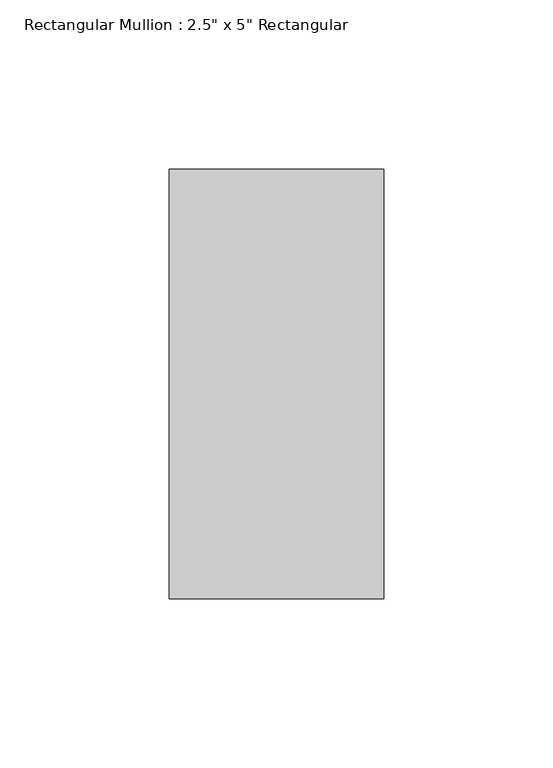
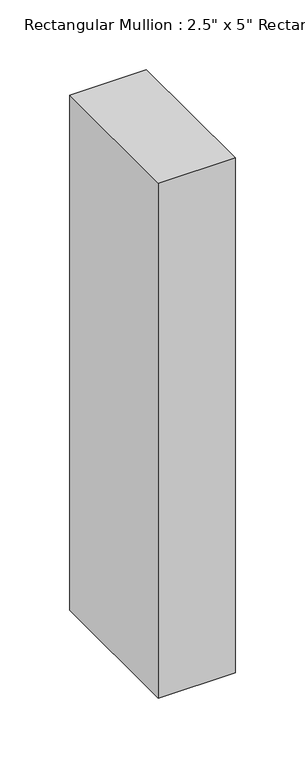
"""IFC4 building model written with IfcOpenShell, lengths in millimetres: member geometry."""

from ifc_helpers import new_model, si_unit, frame, origin, place, context, project, spatial, polyline, outline, extrude, source, transform, mapped, element, save


def member_7748357d(model_context):
    return source(origin(), model_context, "Body", "SweptSolid", [
        extrude(outline(polyline([(31.75, 63.5), (31.75, -63.5), (-31.75, -63.5), (-31.75, 63.5), (31.75, 63.5)])), frame((0.0, 0.0, -450.85), z_axis=(0.0, 0.0, 1.0), x_axis=(1.0, 0.0, 0.0)), (0.0, 0.0, 1.0), 450.85),
    ])


if __name__ == "__main__":
    model = new_model("IFC4")
    model_context = context("Model", 3, world=origin())
    ifc_project = project(units=[si_unit("LENGTHUNIT", "METRE", prefix="MILLI")], contexts=[model_context])
    site = spatial("IfcSite", under=ifc_project)
    building = spatial("IfcBuilding", under=site)
    placement = place(None, origin())
    member_shape = member_7748357d(model_context)
    element("IfcMember", 1, ObjectType="Rectangular Mullion : 2.5\" x 5\" Rectangular", at=placement, inside=building, context=model_context, shape_type="MappedRepresentation", body=[
        mapped(member_shape, transform((0.0, 0.0, 0.0), x_axis=(1.0, 0.0, 0.0), y_axis=(0.0, 1.0, 0.0), z_axis=(0.0, 0.0, 1.0))),
    ])
    save(model, "model.ifc")
